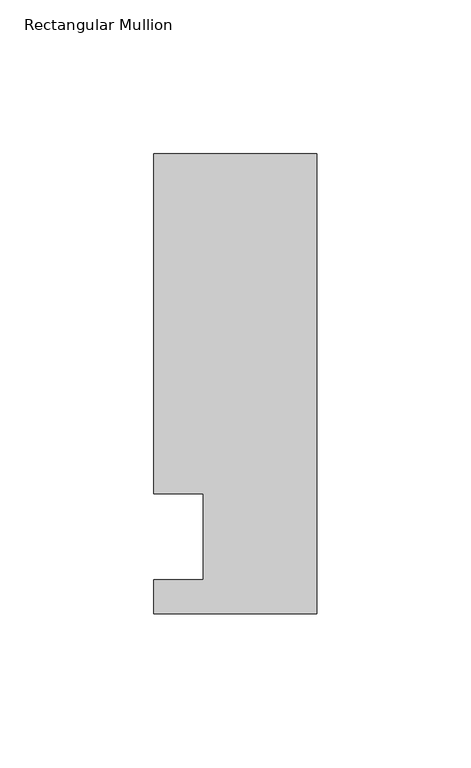
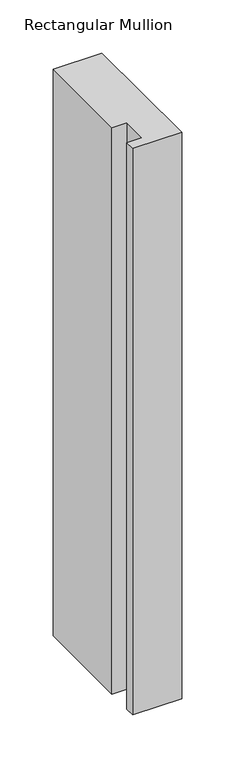
"""IFC4 building model written with IfcOpenShell, lengths in millimetres: member geometry, Rectangular Mullion."""

from ifc_helpers import new_model, si_unit, frame, origin, place, context, project, spatial, polyline, outline, extrude, source, transform, mapped, element, save


def rectangular_mullion_011efa49(model_context):
    return source(origin(), model_context, "Body", "SweptSolid", [
        extrude(outline(polyline([(0.0, -25.0), (-53.0, -25.0), (-53.0, -14.0), (-37.0, -14.0), (-37.0, 14.0), (-53.0, 14.0), (-53.0, 124.5), (0.0, 124.5), (0.0, -25.0)])), frame((0.0, 0.0, -650.20085), z_axis=(0.0, 0.0, 1.0), x_axis=(1.0, 0.0, 0.0)), (0.0, 0.0, 1.0), 650.20085),
    ])


if __name__ == "__main__":
    model = new_model("IFC4")
    model_context = context("Model", 3, world=origin())
    ifc_project = project(units=[si_unit("LENGTHUNIT", "METRE", prefix="MILLI")], contexts=[model_context])
    site = spatial("IfcSite", under=ifc_project)
    building = spatial("IfcBuilding", under=site)
    placement = place(None, origin())
    rectangular_mullion_shape = rectangular_mullion_011efa49(model_context)
    element("IfcMember", 1, ObjectType="Rectangular Mullion", at=placement, inside=building, context=model_context, shape_type="MappedRepresentation", body=[
        mapped(rectangular_mullion_shape, transform((0.0, 0.0, 0.0), x_axis=(1.0, 0.0, 0.0), y_axis=(0.0, 1.0, 0.0), z_axis=(0.0, 0.0, 1.0))),
    ])
    save(model, "model.ifc")
